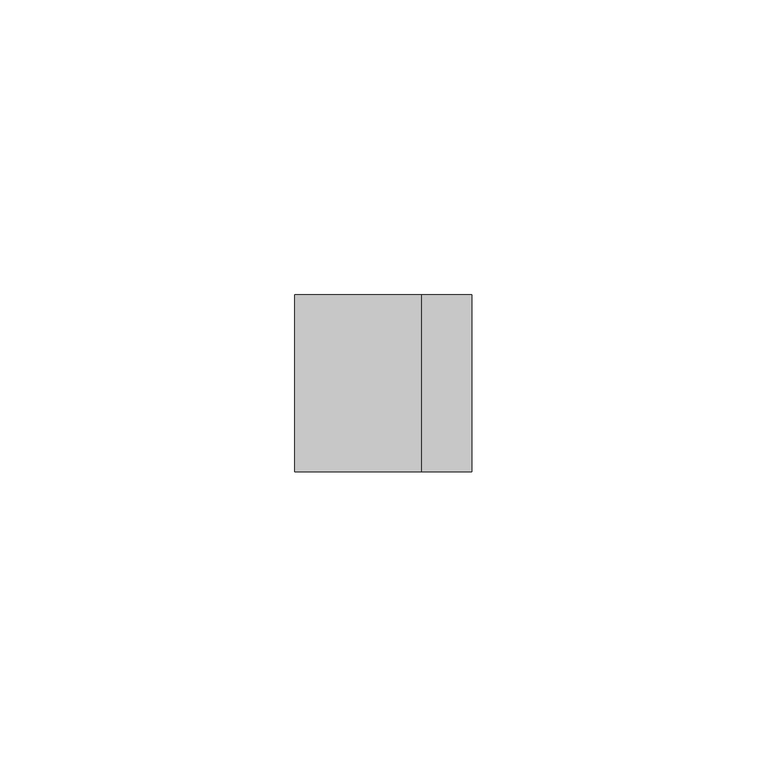
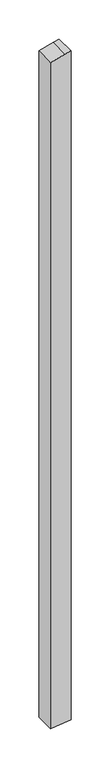
"""IFC4 building model written with IfcOpenShell, lengths in millimetres: member geometry."""

from ifc_helpers import new_model, si_unit, frame, origin, place, context, project, spatial, polyline, outline, extrude, source, transform, mapped, element, save


def member_aea89496(model_context):
    return source(origin(), model_context, "Body", "SweptSolid", [
        extrude(outline(polyline([(3.1373334, 15.0), (0.8518543, 6.4704761), (-4.9011424, -15.0), (-1047.3854291, -15.0), (-1046.2622046, -6.7259094), (-1043.3128684, 15.0), (3.1373334, 15.0)])), frame((0.0, -15.0, 0.0), z_axis=(0.0, 1.0, 0.0), x_axis=(0.0, 0.0, 1.0)), (0.0, 0.0, 1.0), 30.0),
    ])


if __name__ == "__main__":
    model = new_model("IFC4")
    model_context = context("Model", 3, world=origin())
    ifc_project = project(units=[si_unit("LENGTHUNIT", "METRE", prefix="MILLI")], contexts=[model_context])
    site = spatial("IfcSite", under=ifc_project)
    building = spatial("IfcBuilding", under=site)
    placement = place(None, origin())
    member_shape = member_aea89496(model_context)
    element("IfcMember", 1, at=placement, inside=building, context=model_context, shape_type="MappedRepresentation", body=[
        mapped(member_shape, transform((0.0, 0.0, 0.0), x_axis=(1.0, 0.0, 0.0), y_axis=(0.0, 1.0, 0.0), z_axis=(0.0, 0.0, 1.0))),
    ])
    save(model, "model.ifc")
